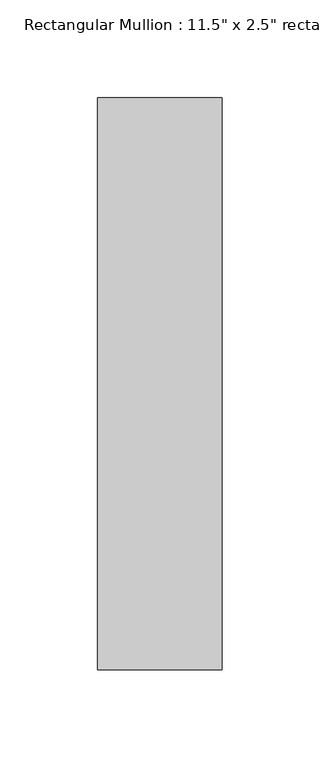
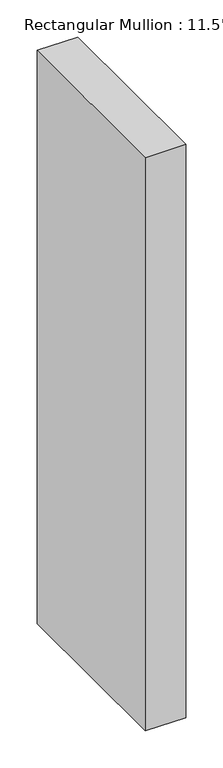
"""IFC4 building model written with IfcOpenShell, lengths in millimetres: member geometry."""

from ifc_helpers import new_model, si_unit, frame, origin, place, context, project, spatial, polyline, outline, extrude, source, transform, mapped, element, save


def member_4f49070c(model_context):
    return source(origin(), model_context, "Body", "SweptSolid", [
        extrude(outline(polyline([(0.0, 88.9), (0.0, -203.2), (-63.5, -203.2), (-63.5, 88.9), (0.0, 88.9)])), frame((0.0, 0.0, -945.515), z_axis=(0.0, 0.0, 1.0), x_axis=(1.0, 0.0, 0.0)), (0.0, 0.0, 1.0), 945.515),
    ])


if __name__ == "__main__":
    model = new_model("IFC4")
    model_context = context("Model", 3, world=origin())
    ifc_project = project(units=[si_unit("LENGTHUNIT", "METRE", prefix="MILLI")], contexts=[model_context])
    site = spatial("IfcSite", under=ifc_project)
    building = spatial("IfcBuilding", under=site)
    placement = place(None, origin())
    member_shape = member_4f49070c(model_context)
    element("IfcMember", 1, ObjectType="Rectangular Mullion : 11.5\" x 2.5\" rectangular", at=placement, inside=building, context=model_context, shape_type="MappedRepresentation", body=[
        mapped(member_shape, transform((0.0, 0.0, 0.0), x_axis=(1.0, 0.0, 0.0), y_axis=(0.0, 1.0, 0.0), z_axis=(0.0, 0.0, 1.0))),
    ])
    save(model, "model.ifc")
